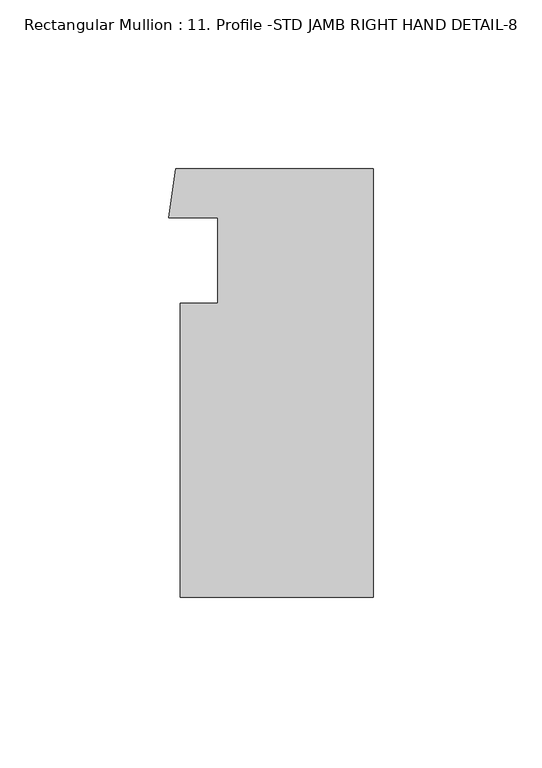
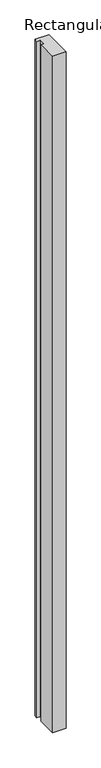
"""IFC4 building model written with IfcOpenShell, lengths in millimetres: member geometry, Rectangular Mullion : 11. Profile -STD JAMB RIGHT HAND DETAIL-8."""

from ifc_helpers import new_model, si_unit, frame, origin, place, context, project, spatial, polyline, outline, extrude, source, transform, mapped, element, save


def rectangular_mullion_11_profile_std_jamb_right_hand_detail_8_52c889b6(model_context):
    return source(origin(), model_context, "Body", "SweptSolid", [
        extrude(outline(polyline([(-57.15, 58.9728853), (-46.0375, 58.9728853), (-46.0375, 84.3347139), (-60.5514101, 84.3347139), (-58.4903823, 98.8764103), (0.0, 98.8764103), (0.0, -28.1235897), (-57.15, -28.1235897), (-57.15, 58.9728853)])), frame((0.0, 0.0, -3048.0), z_axis=(0.0, 0.0, 1.0), x_axis=(1.0, 0.0, 0.0)), (0.0, 0.0, 1.0), 3048.0),
    ])


if __name__ == "__main__":
    model = new_model("IFC4")
    model_context = context("Model", 3, world=origin())
    ifc_project = project(units=[si_unit("LENGTHUNIT", "METRE", prefix="MILLI")], contexts=[model_context])
    site = spatial("IfcSite", under=ifc_project)
    building = spatial("IfcBuilding", under=site)
    placement = place(None, origin())
    rectangular_mullion_11_profile_std_jamb_right_hand_detail_8_shape = rectangular_mullion_11_profile_std_jamb_right_hand_detail_8_52c889b6(model_context)
    element("IfcMember", 1, ObjectType="Rectangular Mullion : 11. Profile -STD JAMB RIGHT HAND DETAIL-8", at=placement, inside=building, context=model_context, shape_type="MappedRepresentation", body=[
        mapped(rectangular_mullion_11_profile_std_jamb_right_hand_detail_8_shape, transform((0.0, 0.0, 0.0), x_axis=(1.0, 0.0, 0.0), y_axis=(0.0, 1.0, 0.0), z_axis=(0.0, 0.0, 1.0))),
    ])
    save(model, "model.ifc")
